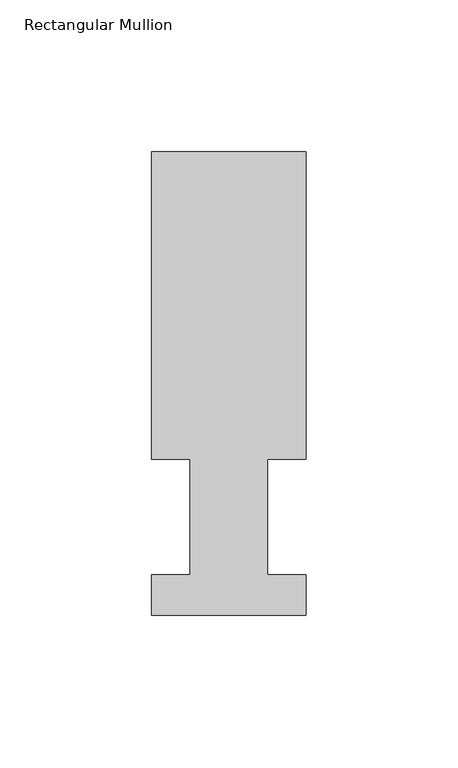
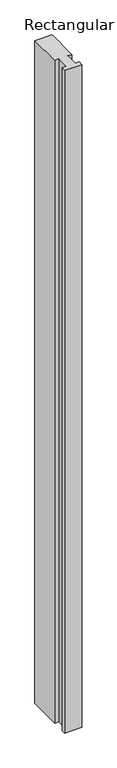
"""IFC4 building model written with IfcOpenShell, lengths in millimetres: member geometry, Rectangular Mullion."""

from ifc_helpers import new_model, si_unit, frame, origin, place, context, project, spatial, polyline, outline, extrude, source, transform, mapped, element, save


def rectangular_mullion_62e89d38(model_context):
    return source(origin(), model_context, "Body", "SweptSolid", [
        extrude(outline(polyline([(-25.4, 152.4988119), (25.4, 152.4988119), (25.4, 51.2960938), (12.7, 51.2960938), (12.7, 13.1960938), (25.4, 13.1960938), (25.4, 0.0134937), (-25.4, 0.0134937), (-25.4, 13.1960938), (-12.7, 13.1960938), (-12.7, 51.2960938), (-25.4, 51.2960938), (-25.4, 152.4988119)])), frame((0.0, 0.0, -2070.1), z_axis=(0.0, 0.0, 1.0), x_axis=(1.0, 0.0, 0.0)), (0.0, 0.0, 1.0), 2070.1),
    ])


if __name__ == "__main__":
    model = new_model("IFC4")
    model_context = context("Model", 3, world=origin())
    ifc_project = project(units=[si_unit("LENGTHUNIT", "METRE", prefix="MILLI")], contexts=[model_context])
    site = spatial("IfcSite", under=ifc_project)
    building = spatial("IfcBuilding", under=site)
    placement = place(None, origin())
    rectangular_mullion_shape = rectangular_mullion_62e89d38(model_context)
    element("IfcMember", 1, ObjectType="Rectangular Mullion", at=placement, inside=building, context=model_context, shape_type="MappedRepresentation", body=[
        mapped(rectangular_mullion_shape, transform((0.0, 0.0, 0.0), x_axis=(1.0, 0.0, 0.0), y_axis=(0.0, 1.0, 0.0), z_axis=(0.0, 0.0, 1.0))),
    ])
    save(model, "model.ifc")
